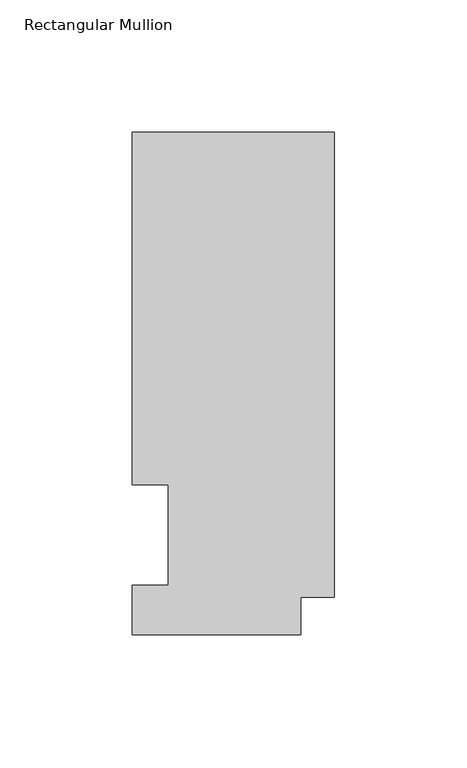
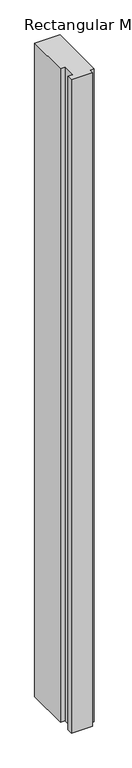
"""IFC4 building model written with IfcOpenShell, lengths in millimetres: member geometry, Rectangular Mullion."""

from ifc_helpers import new_model, si_unit, frame, origin, place, context, project, spatial, polyline, outline, extrude, source, transform, mapped, element, save


def rectangular_mullion_fc37ca61(model_context):
    return source(origin(), model_context, "Body", "SweptSolid", [
        extrude(outline(polyline([(0.0, 14.2613062), (-12.7016245, 14.2613062), (-12.7016245, 0.0627062), (-76.2, 0.0627062), (-76.2, 18.6047062), (-62.7126, 18.6047062), (-62.7126, 56.6539063), (-76.2, 56.6539063), (-76.2, 189.6483063), (0.0, 189.6483063), (0.0, 14.2613062)])), frame((0.0, 0.0, -2057.4), z_axis=(0.0, 0.0, 1.0), x_axis=(1.0, 0.0, 0.0)), (0.0, 0.0, 1.0), 2057.4),
    ])


if __name__ == "__main__":
    model = new_model("IFC4")
    model_context = context("Model", 3, world=origin())
    ifc_project = project(units=[si_unit("LENGTHUNIT", "METRE", prefix="MILLI")], contexts=[model_context])
    site = spatial("IfcSite", under=ifc_project)
    building = spatial("IfcBuilding", under=site)
    placement = place(None, origin())
    rectangular_mullion_shape = rectangular_mullion_fc37ca61(model_context)
    element("IfcMember", 1, ObjectType="Rectangular Mullion", at=placement, inside=building, context=model_context, shape_type="MappedRepresentation", body=[
        mapped(rectangular_mullion_shape, transform((0.0, 0.0, 0.0), x_axis=(1.0, 0.0, 0.0), y_axis=(0.0, 1.0, 0.0), z_axis=(0.0, 0.0, 1.0))),
    ])
    save(model, "model.ifc")
